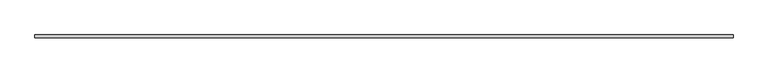
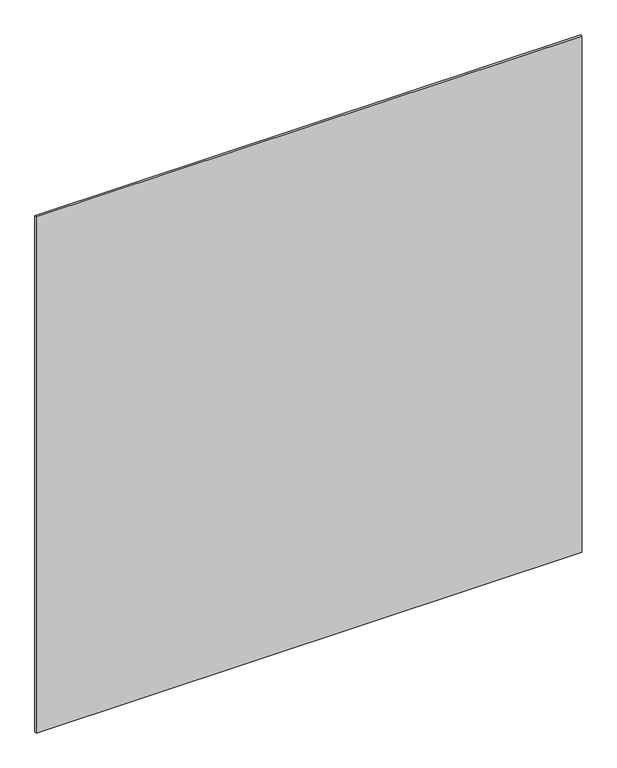
"""IFC4 building model written with IfcOpenShell, lengths in millimetres: plate geometry."""

from ifc_helpers import new_model, si_unit, origin, origin_with_axes, place, context, project, spatial, polyline, outline, extrude, source, transform, mapped, element, save


def plate_e25c9b7b(model_context):
    return source(origin(), model_context, "Body", "SweptSolid", [
        extrude(outline(polyline([(762.0, 3.175), (762.0, -3.175), (-762.0, -3.175), (-762.0, 3.175), (762.0, 3.175)])), origin_with_axes(), (0.0, 0.0, 1.0), 1524.0),
    ])


if __name__ == "__main__":
    model = new_model("IFC4")
    model_context = context("Model", 3, world=origin())
    ifc_project = project(units=[si_unit("LENGTHUNIT", "METRE", prefix="MILLI")], contexts=[model_context])
    site = spatial("IfcSite", under=ifc_project)
    building = spatial("IfcBuilding", under=site)
    placement = place(None, origin())
    plate_shape = plate_e25c9b7b(model_context)
    element("IfcPlate", 1, at=placement, inside=building, context=model_context, shape_type="MappedRepresentation", body=[
        mapped(plate_shape, transform((0.0, 0.0, 0.0), x_axis=(1.0, 0.0, 0.0), y_axis=(0.0, 1.0, 0.0), z_axis=(0.0, 0.0, 1.0))),
    ])
    save(model, "model.ifc")
